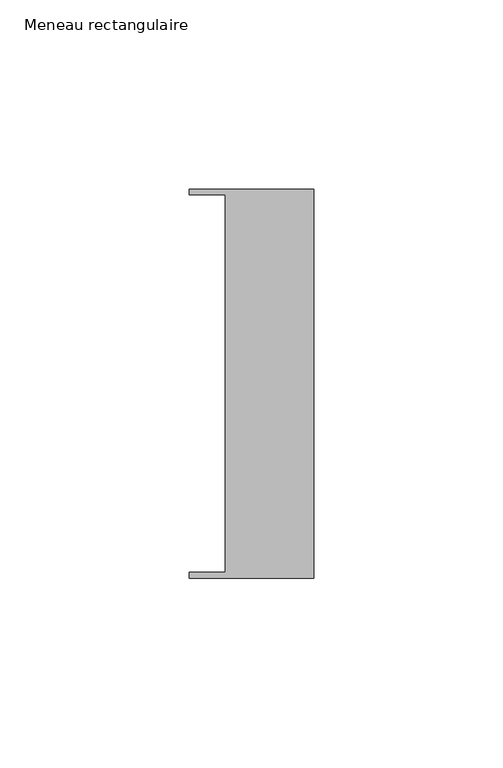
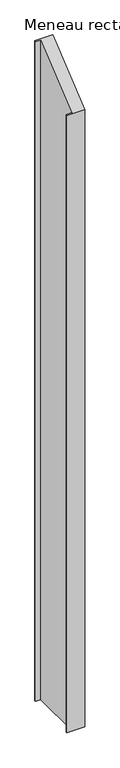
"""IFC4 building model written with IfcOpenShell, lengths in millimetres: member geometry, Meneau rectangulaire."""

from ifc_helpers import new_model, si_unit, origin, place, context, project, spatial, faceted_brep, source, transform, mapped, element, save


def meneau_rectangulaire_fabbe52f(model_context):
    return source(origin(), model_context, "Body", "Brep", [
        faceted_brep([(-33.0, 51.4622428, -1254.2000003), (0.0, 51.4622428, -1254.2000003), (0.0, -51.4712299, -1254.2000003), (-33.0, -51.4712299, -1254.2000003), (-33.0, -49.9505712, -1254.2000003), (-23.4, -49.9505712, -1254.2000003), (-23.4, 49.9614402, -1254.2000003), (-33.0, 49.9614402, -1254.2000003), (-33.0, 49.9614402, 41.1850331), (-33.0, 51.4622428, 42.4221992), (-23.4, 49.9614402, 41.1850331), (-23.4, -49.9505712, -41.1760733), (-33.0, -49.9505712, -41.1760733), (-33.0, -51.4712299, -42.4296076), (0.0, -51.4712299, -42.4296076), (0.0, 51.4622428, 42.4221992)], [[[0, 1, 2, 3, 4, 5, 6, 7]], [[8, 9, 0, 7]], [[10, 8, 7, 6]], [[11, 10, 6, 5]], [[12, 11, 5, 4]], [[13, 12, 4, 3]], [[14, 13, 3, 2]], [[15, 14, 2, 1]], [[9, 15, 1, 0]], [[9, 8, 10, 11, 12, 13, 14, 15]]]),
    ])


if __name__ == "__main__":
    model = new_model("IFC4")
    model_context = context("Model", 3, world=origin())
    ifc_project = project(units=[si_unit("LENGTHUNIT", "METRE", prefix="MILLI")], contexts=[model_context])
    site = spatial("IfcSite", under=ifc_project)
    building = spatial("IfcBuilding", under=site)
    placement = place(None, origin())
    meneau_rectangulaire_shape = meneau_rectangulaire_fabbe52f(model_context)
    element("IfcMember", 1, ObjectType="Meneau rectangulaire", at=placement, inside=building, context=model_context, shape_type="MappedRepresentation", body=[
        mapped(meneau_rectangulaire_shape, transform((0.0, 0.0, 0.0), x_axis=(1.0, 0.0, 0.0), y_axis=(0.0, 1.0, 0.0), z_axis=(0.0, 0.0, 1.0))),
    ])
    save(model, "model.ifc")
